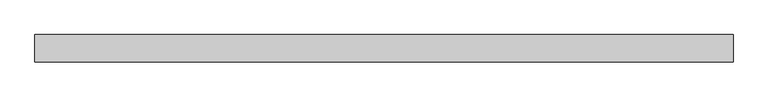
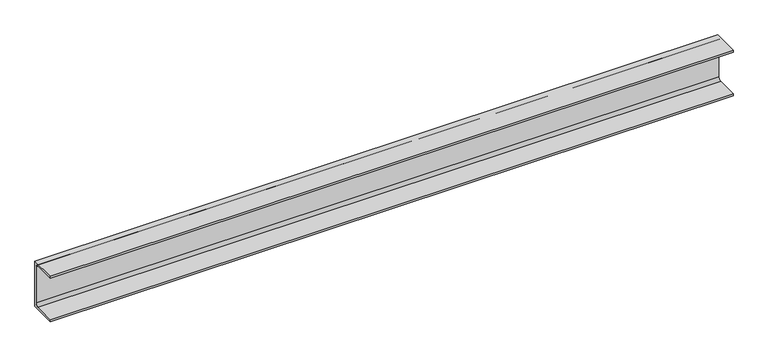
"""IFC4 building model written with IfcOpenShell, lengths in millimetres: beam geometry."""

from ifc_helpers import new_model, si_unit, point, frame, frame_2d, origin, place, context, project, spatial, polyline, circle_curve, trimmed, segment, composite_curve, outline, extrude, source, transform, mapped, element, save


def beam_674f3a42(model_context):
    return source(origin(), model_context, "Body", "SweptSolid", [
        extrude(outline(composite_curve([segment(polyline([(25.2, 90.0), (25.2, -90.0), (-74.8, -90.0), (-74.8, -82.0), (6.7, -82.0)]), True, "CONTINUOUS"), segment(trimmed(circle_curve(frame_2d((6.7, -71.5)), 10.5), [point((6.7, -82.0))], [point((17.2, -71.5))], True, "CARTESIAN"), True, "CONTINUOUS"), segment(polyline([(17.2, -71.5), (17.2, 71.5)]), True, "CONTINUOUS"), segment(trimmed(circle_curve(frame_2d((6.7, 71.5)), 10.5), [point((17.2, 71.5))], [point((6.7, 82.0))], True, "CARTESIAN"), True, "CONTINUOUS"), segment(polyline([(6.7, 82.0), (-74.8, 82.0), (-74.8, 90.0), (25.2, 90.0)]), True, "CONTINUOUS")], self_intersect=False)), frame((-1280.0, 0.0, 0.0), z_axis=(1.0, 0.0, 0.0), x_axis=(0.0, 1.0, 0.0)), (0.0, 0.0, 1.0), 2560.0),
    ])


if __name__ == "__main__":
    model = new_model("IFC4")
    model_context = context("Model", 3, world=origin())
    ifc_project = project(units=[si_unit("LENGTHUNIT", "METRE", prefix="MILLI")], contexts=[model_context])
    site = spatial("IfcSite", under=ifc_project)
    building = spatial("IfcBuilding", under=site)
    placement = place(None, origin())
    beam_shape = beam_674f3a42(model_context)
    element("IfcBeam", 1, at=placement, inside=building, context=model_context, shape_type="MappedRepresentation", body=[
        mapped(beam_shape, transform((0.0, 0.0, 0.0), x_axis=(1.0, 0.0, 0.0), y_axis=(0.0, 1.0, 0.0), z_axis=(0.0, 0.0, 1.0))),
    ])
    save(model, "model.ifc")
